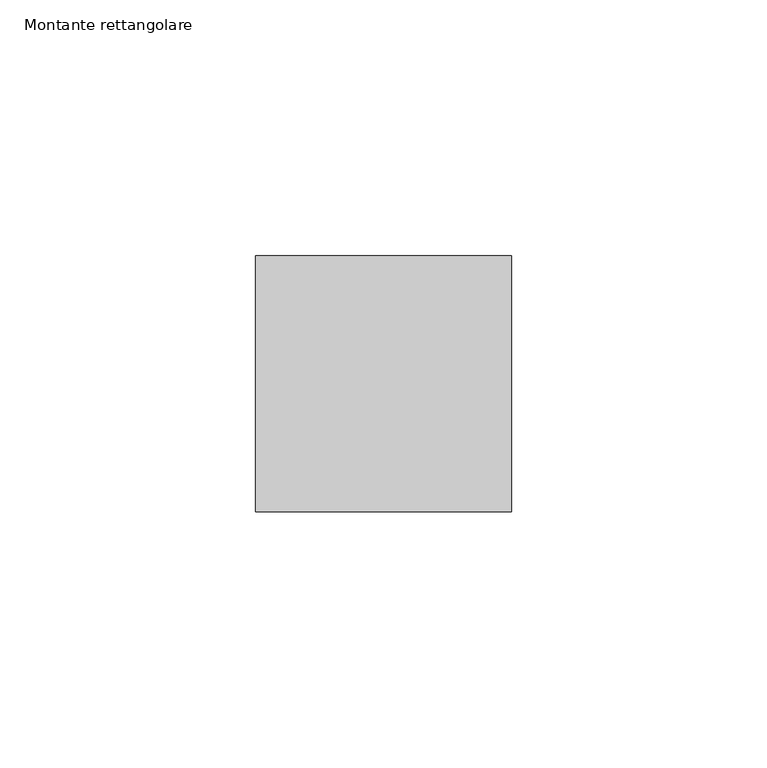
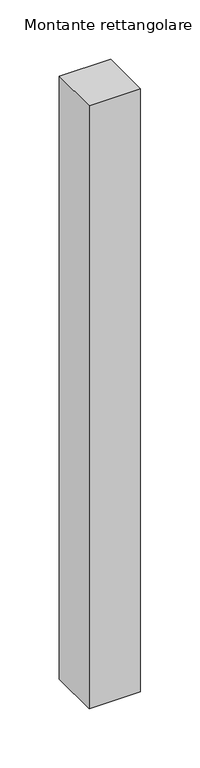
"""IFC4 building model written with IfcOpenShell, lengths in millimetres: member geometry, Montante rettangolare."""

from ifc_helpers import new_model, si_unit, frame, origin, place, context, project, spatial, polyline, outline, extrude, source, transform, mapped, element, save


def montante_rettangolare_74f0292e(model_context):
    return source(origin(), model_context, "Body", "SweptSolid", [
        extrude(outline(polyline([(0.0, 25.0), (0.0, -25.0), (-50.0, -25.0), (-50.0, 25.0), (0.0, 25.0)])), frame((0.0, 0.0, -620.0), z_axis=(0.0, 0.0, 1.0), x_axis=(1.0, 0.0, 0.0)), (0.0, 0.0, 1.0), 620.0),
    ])


if __name__ == "__main__":
    model = new_model("IFC4")
    model_context = context("Model", 3, world=origin())
    ifc_project = project(units=[si_unit("LENGTHUNIT", "METRE", prefix="MILLI")], contexts=[model_context])
    site = spatial("IfcSite", under=ifc_project)
    building = spatial("IfcBuilding", under=site)
    placement = place(None, origin())
    montante_rettangolare_shape = montante_rettangolare_74f0292e(model_context)
    element("IfcMember", 1, ObjectType="Montante rettangolare", at=placement, inside=building, context=model_context, shape_type="MappedRepresentation", body=[
        mapped(montante_rettangolare_shape, transform((0.0, 0.0, 0.0), x_axis=(1.0, 0.0, 0.0), y_axis=(0.0, 1.0, 0.0), z_axis=(0.0, 0.0, 1.0))),
    ])
    save(model, "model.ifc")
